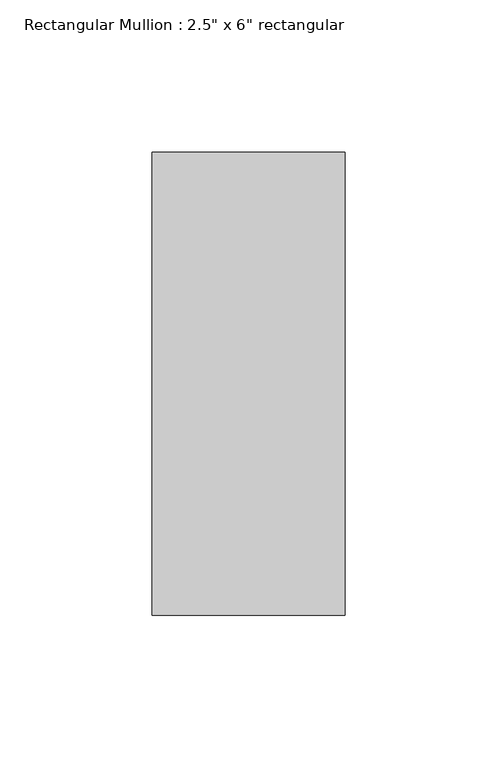
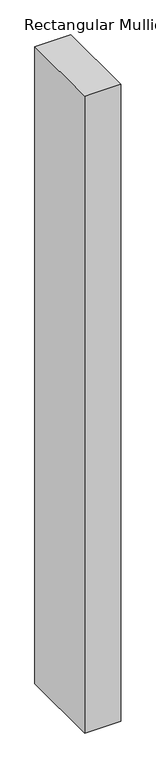
"""IFC4 building model written with IfcOpenShell, lengths in millimetres: member geometry."""

from ifc_helpers import new_model, si_unit, frame, origin, place, context, project, spatial, polyline, outline, extrude, source, transform, mapped, element, save


def member_b03f4e63(model_context):
    return source(origin(), model_context, "Body", "SweptSolid", [
        extrude(outline(polyline([(0.0, 76.2), (0.0, -76.2), (-63.5, -76.2), (-63.5, 76.2), (0.0, 76.2)])), frame((0.0, 0.0, -1187.45), z_axis=(0.0, 0.0, 1.0), x_axis=(1.0, 0.0, 0.0)), (0.0, 0.0, 1.0), 1187.45),
    ])


if __name__ == "__main__":
    model = new_model("IFC4")
    model_context = context("Model", 3, world=origin())
    ifc_project = project(units=[si_unit("LENGTHUNIT", "METRE", prefix="MILLI")], contexts=[model_context])
    site = spatial("IfcSite", under=ifc_project)
    building = spatial("IfcBuilding", under=site)
    placement = place(None, origin())
    member_shape = member_b03f4e63(model_context)
    element("IfcMember", 1, ObjectType="Rectangular Mullion : 2.5\" x 6\" rectangular", at=placement, inside=building, context=model_context, shape_type="MappedRepresentation", body=[
        mapped(member_shape, transform((0.0, 0.0, 0.0), x_axis=(1.0, 0.0, 0.0), y_axis=(0.0, 1.0, 0.0), z_axis=(0.0, 0.0, 1.0))),
    ])
    save(model, "model.ifc")
